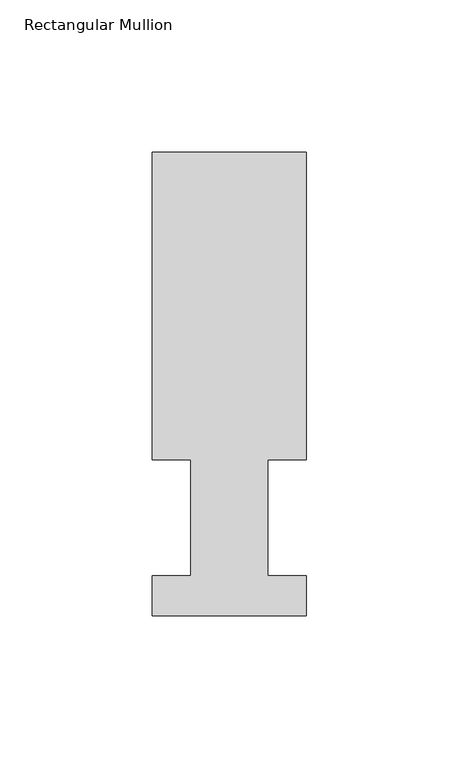
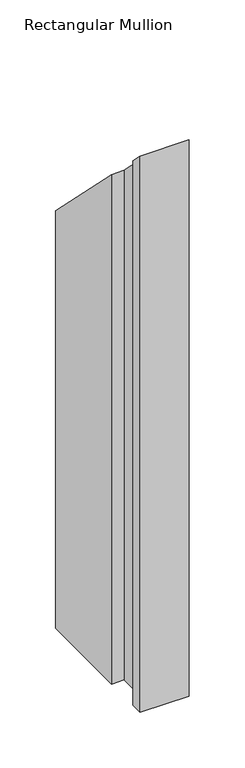
"""IFC4 building model written with IfcOpenShell, lengths in millimetres: member geometry, Rectangular Mullion."""

from ifc_helpers import new_model, si_unit, origin, place, context, project, spatial, faceted_brep, source, transform, mapped, element, save


def rectangular_mullion_8bedafef(model_context):
    return source(origin(), model_context, "Body", "Brep", [
        faceted_brep([(0.0, 152.498812, -610.3647682), (50.8, 152.498812, -610.3647682), (50.8, 51.2960937, -610.3647682), (38.1, 51.2960937, -610.3647682), (38.1, 13.1960938, -610.3647682), (50.8, 13.1960938, -610.3647682), (50.8, 0.0134938, -610.3647682), (0.0, 0.0134938, -610.3647682), (0.0, 13.1960938, -610.3647682), (12.7, 13.1960938, -610.3647682), (12.7, 51.2960937, -610.3647682), (0.0, 51.2960937, -610.3647682), (0.0, 51.2960937, -51.2960937), (0.0, 152.498812, -152.498812), (12.7, 51.2960937, -51.2960937), (12.7, 13.1960938, -13.1960938), (0.0, 13.1960938, -13.1960938), (0.0, 0.0134938, -0.0134938), (50.8, 0.0134938, -0.0134938), (50.8, 13.1960938, -13.1960938), (38.1, 13.1960938, -13.1960938), (38.1, 51.2960937, -51.2960937), (50.8, 51.2960937, -51.2960937), (50.8, 152.498812, -152.498812)], [[[0, 1, 2, 3, 4, 5, 6, 7, 8, 9, 10, 11]], [[12, 13, 0, 11]], [[14, 12, 11, 10]], [[15, 14, 10, 9]], [[16, 15, 9, 8]], [[17, 16, 8, 7]], [[18, 17, 7, 6]], [[19, 18, 6, 5]], [[20, 19, 5, 4]], [[21, 20, 4, 3]], [[22, 21, 3, 2]], [[23, 22, 2, 1]], [[13, 23, 1, 0]], [[13, 12, 14, 15, 16, 17, 18, 19, 20, 21, 22, 23]]]),
    ])


if __name__ == "__main__":
    model = new_model("IFC4")
    model_context = context("Model", 3, world=origin())
    ifc_project = project(units=[si_unit("LENGTHUNIT", "METRE", prefix="MILLI")], contexts=[model_context])
    site = spatial("IfcSite", under=ifc_project)
    building = spatial("IfcBuilding", under=site)
    placement = place(None, origin())
    rectangular_mullion_shape = rectangular_mullion_8bedafef(model_context)
    element("IfcMember", 1, ObjectType="Rectangular Mullion", at=placement, inside=building, context=model_context, shape_type="MappedRepresentation", body=[
        mapped(rectangular_mullion_shape, transform((0.0, 0.0, 0.0), x_axis=(1.0, 0.0, 0.0), y_axis=(0.0, 1.0, 0.0), z_axis=(0.0, 0.0, 1.0))),
    ])
    save(model, "model.ifc")
